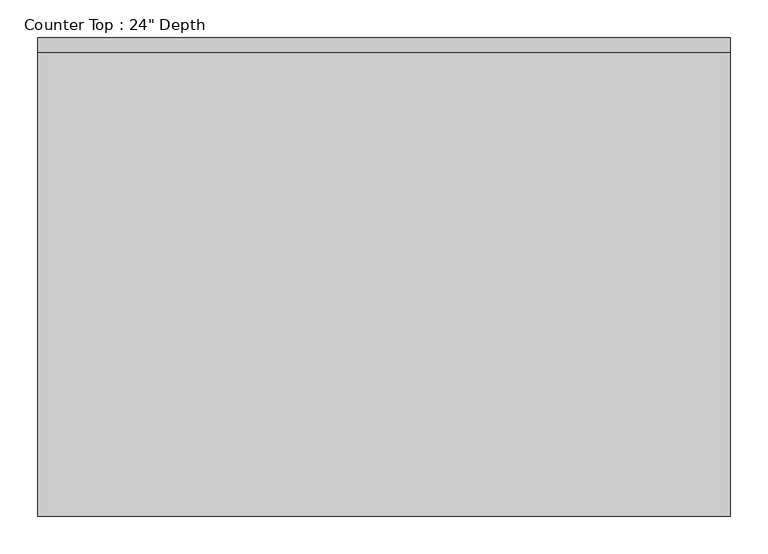
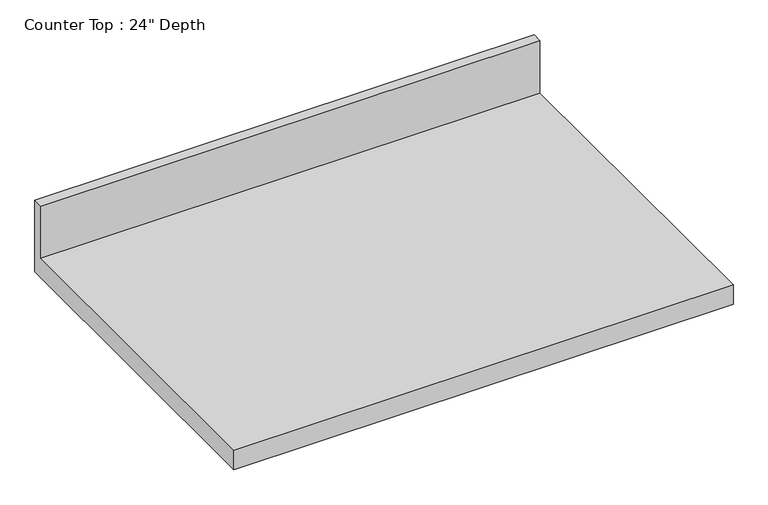
"""IFC4 building model written with IfcOpenShell, lengths in millimetres: furniture geometry."""

from ifc_helpers import new_model, si_unit, frame, origin, place, context, project, spatial, polyline, outline, extrude, source, transform, mapped, element, save


def furniture_0f50ff57(model_context):
    return source(origin(), model_context, "Body", "SweptSolid", [
        extrude(outline(polyline([(0.0, 1016.0), (0.0, 876.3), (-635.0, 876.3), (-635.0, 914.4), (-19.05, 914.4), (-19.05, 1016.0), (0.0, 1016.0)])), frame((-1200.4622951, 0.0, 0.0), z_axis=(1.0, 0.0, 0.0), x_axis=(0.0, 1.0, 0.0)), (0.0, 0.0, 1.0), 919.0934391),
    ])


if __name__ == "__main__":
    model = new_model("IFC4")
    model_context = context("Model", 3, world=origin())
    ifc_project = project(units=[si_unit("LENGTHUNIT", "METRE", prefix="MILLI")], contexts=[model_context])
    site = spatial("IfcSite", under=ifc_project)
    building = spatial("IfcBuilding", under=site)
    placement = place(None, origin())
    furniture_shape = furniture_0f50ff57(model_context)
    element("IfcFurniture", 1, ObjectType="Counter Top : 24\" Depth", at=placement, inside=building, context=model_context, shape_type="MappedRepresentation", body=[
        mapped(furniture_shape, transform((0.0, 0.0, 0.0), x_axis=(1.0, 0.0, 0.0), y_axis=(0.0, 1.0, 0.0), z_axis=(0.0, 0.0, 1.0))),
    ])
    save(model, "model.ifc")
